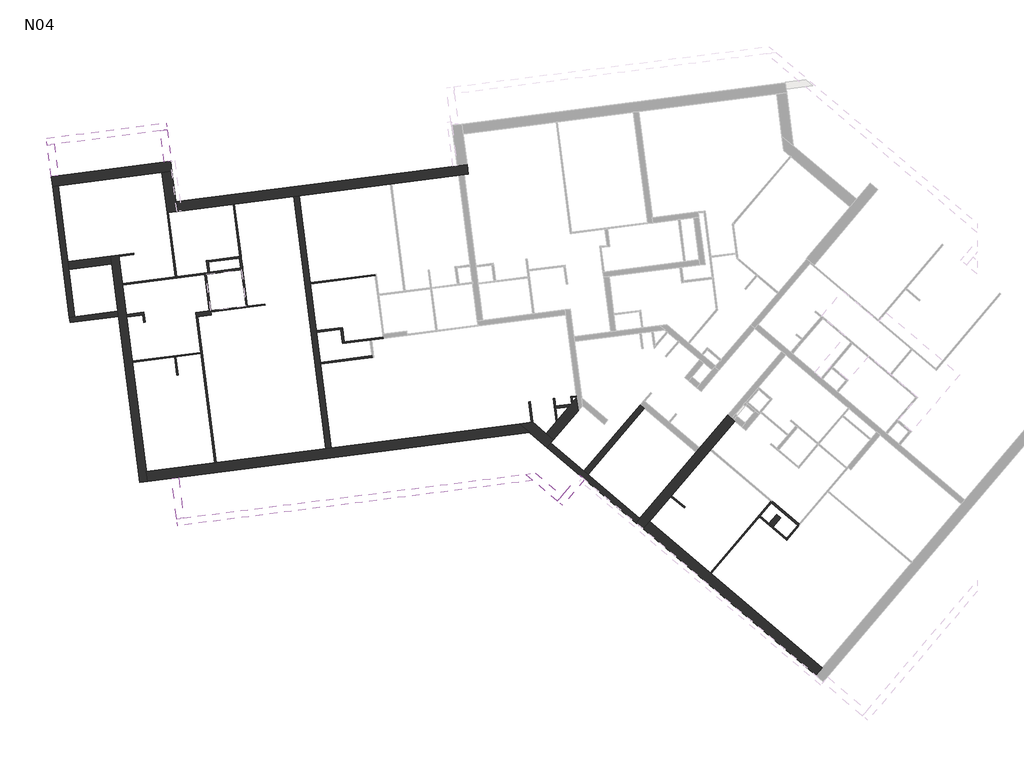
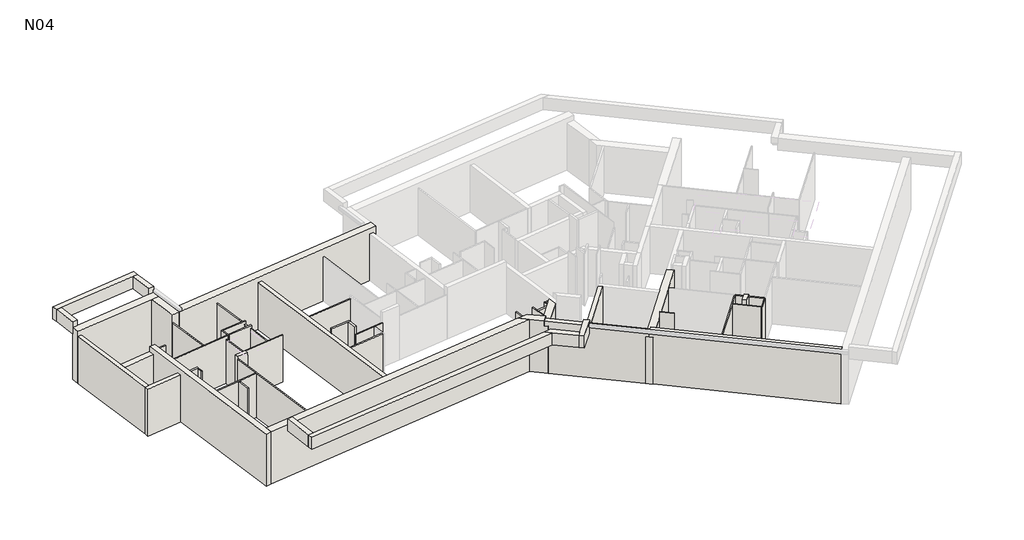
# One storey, part 1 of 3: 56 walls.
"""IFC4 building model written with IfcOpenShell, lengths in millimetres."""

from ifc_helpers import new_model, si_unit, frame, origin, place, context, project, spatial, polyline, outline, extrude, faceted_brep, element, save

model = new_model("IFC4")

# Units and contexts
model_context = context("Model", 3, world=origin())
ifc_project = project(units=[si_unit("LENGTHUNIT", "METRE", prefix="MILLI")], contexts=[model_context])

# Site, building, storey
site = spatial("IfcSite", under=ifc_project)
building = spatial("IfcBuilding", under=site)
storey = spatial("IfcBuildingStorey", under=building, Name="N04", Elevation=11380.0)

# Walls
placement = place(None, origin())
element("IfcWall", 1, at=placement, inside=storey, context=model_context, shape_type="Brep", body=[
    faceted_brep([(5758.2370181, 14194.8714572, 11380.0), (-1162.1110386, 13310.3917107, 11380.0), (-1360.4972796, 13285.0362502, 11380.0), (-7972.5911161, 12439.9540329, 11380.0), (-7972.5911161, 12439.9540329, 14150.0), (5758.2370181, 14194.8714572, 14150.0), (6140.2224716, 13870.6827304, 11380.0), (6140.2224716, 13870.6827304, 14150.0), (-7925.683514, 12072.939487, 14150.0), (-7925.683514, 12072.939487, 11380.0)], [[[0, 1, 2, 3, 4, 5]], [[6, 7, 8, 9]], [[3, 2, 1, 0, 6, 9]], [[5, 4, 8, 7]], [[0, 5, 7, 6]], [[4, 3, 9, 8]]]),
])
element("IfcWall", 2, at=placement, inside=storey, context=model_context, shape_type="Brep", body=[
    faceted_brep([(-7399.3754512, 23461.5558138, 14150.0), (-7399.3754512, 23461.5558138, 11380.0), (-7209.209497, 21973.6590063, 11380.0), (-7209.209497, 21973.6590063, 14150.0), (-7256.1170991, 22340.6735521, 14150.0), (-7032.3609053, 23508.4634158, 11380.0), (-7032.3609053, 23508.4634158, 14150.0), (-6889.1025532, 22387.5811542, 14150.0), (-6886.5670072, 22367.7425301, 14150.0), (-6842.1949512, 22020.5666083, 14150.0), (-6842.1949512, 22020.5666083, 13880.0), (-6842.1949512, 22020.5666083, 11380.0), (-6889.1025532, 22387.5811542, 11380.0)], [[[0, 1, 2, 3, 4]], [[5, 6, 7, 8, 9, 10, 11, 12]], [[2, 1, 5, 12, 11]], [[0, 4, 3, 9, 8, 7, 6]], [[0, 6, 5, 1]], [[3, 2, 11, 10, 9]]]),
])
element("IfcWall", 3, at=placement, inside=storey, context=model_context, shape_type="Brep", body=[
    faceted_brep([(-6842.1949512, 22020.5666083, 11380.0), (-2547.1328334, 22569.5123292, 11380.0), (-2348.7465924, 22594.8677898, 11380.0), (3538.3651094, 23347.2910817, 11380.0), (3736.7513504, 23372.6465422, 11380.0), (3885.5410312, 23391.6631376, 11380.0), (3885.5410312, 23391.6631376, 14150.0), (-6842.1949512, 22020.5666083, 14150.0), (3838.6334292, 23758.6776835, 11380.0), (3471.6188833, 23711.7700815, 11380.0), (-6889.1025532, 22387.5811542, 11380.0), (-6889.1025532, 22387.5811542, 14150.0), (3471.6188833, 23711.7700815, 14150.0), (3838.6334292, 23758.6776835, 14150.0)], [[[0, 1, 2, 3, 4, 5, 6, 7]], [[8, 9, 10, 11, 12, 13]], [[5, 4, 3, 2, 1, 0, 10, 9, 8]], [[7, 6, 13, 12, 11]], [[5, 8, 13, 6]], [[0, 7, 11, 10]]]),
])
element("IfcWall", 4, at=placement, inside=storey, context=model_context, shape_type="Brep", body=[
    faceted_brep([(10327.551374, 10316.9222052, 11380.0), (10566.9673175, 10599.0214892, 11380.0), (12794.8374833, 13224.078825, 11380.0), (12827.1909892, 13262.2003498, 11380.0), (13700.7356476, 14291.4815212, 11380.0), (13700.7356476, 14291.4815212, 13880.0), (12827.1909892, 13262.2003498, 13880.0), (12794.8374833, 13224.078825, 13880.0), (10566.9673175, 10599.0214892, 13880.0), (10327.551374, 10316.9222052, 13880.0), (10060.7007, 10543.3967463, 11380.0), (10060.7007, 10543.3967463, 13880.0), (10203.0561258, 10711.1314557, 13880.0), (12273.6805014, 13150.909047, 13880.0), (12403.0945249, 13303.3951464, 13880.0), (13433.8849736, 14517.9560622, 13880.0), (13433.8849736, 14517.9560622, 11380.0), (12403.0945249, 13303.3951464, 11380.0), (12273.6805014, 13150.909047, 11380.0), (10203.0561258, 10711.1314557, 11380.0), (10194.126037, 10430.1594757, 11380.0), (10129.3194447, 10485.1604357, 11380.0), (10194.126037, 10430.1594757, 13880.0)], [[[0, 1, 2, 3, 4, 5, 6, 7, 8, 9]], [[10, 11, 12, 13, 14, 15, 16, 17, 18, 19]], [[4, 3, 2, 1, 0, 20, 21, 10, 19, 18, 17, 16]], [[5, 4, 16, 15]], [[9, 8, 7, 6, 5, 15, 14, 13, 12, 11, 22]], [[0, 9, 22, 11, 10, 21, 20]]]),
])
element("IfcWall", 5, at=placement, inside=storey, context=model_context, shape_type="SweptSolid", body=[
    extrude(outline(polyline([(8144.4937831, 12458.2207726), (10215.1181588, 14897.9983639), (10367.6042582, 14768.5843405), (8296.9798826, 12328.8067492), (8144.4937831, 12458.2207726)])), frame((0.0, 0.0, 11380.0), z_axis=(0.0, 0.0, 1.0), x_axis=(1.0, 0.0, 0.0)), (0.0, 0.0, 1.0), 2500.0),
])
element("IfcWall", 6, at=placement, inside=storey, context=model_context, shape_type="Brep", body=[
    faceted_brep([(7021.6826483, 13607.8829857, 11380.0), (7925.3724793, 14672.6836444, 11380.0), (7925.3724793, 14672.6836444, 13880.0), (7021.6826483, 13607.8829857, 13880.0), (6754.8319743, 13834.3575268, 11380.0), (6754.8319743, 13834.3575268, 13880.0), (7865.2890942, 15142.7881766, 13880.0), (7865.2890942, 15142.7881766, 11380.0), (7734.3217869, 14988.4718721, 11380.0), (7690.5124995, 14936.8522163, 11380.0), (7594.5428873, 14823.773035, 11380.0), (6888.2573113, 13721.1202563, 13880.0)], [[[0, 1, 2, 3]], [[4, 5, 6, 7, 8, 9, 10]], [[1, 0, 4, 10, 9, 8, 7]], [[3, 2, 6, 5, 11]], [[0, 3, 11, 5, 4]], [[1, 7, 6, 2]]]),
])
element("IfcWall", 7, at=placement, inside=storey, context=model_context, shape_type="Brep", body=[
    faceted_brep([(10203.0561258, 10711.1314557, 11380.0), (8296.9798826, 12328.8067492, 11380.0), (8144.4937831, 12458.2207726, 11380.0), (6924.6221307, 13493.5184111, 11380.0), (6924.6221307, 13493.5184111, 13880.0), (6791.1967937, 13606.7556817, 13880.0), (6791.1967937, 13606.7556817, 14150.0), (6924.6221307, 13493.5184111, 14150.0), (10203.0561258, 10711.1314557, 14150.0), (10336.4814628, 10597.8941851, 14150.0), (10336.4814628, 10597.8941851, 13880.0), (10203.0561258, 10711.1314557, 13880.0), (10060.7007, 10543.3967463, 11380.0), (10060.7007, 10543.3967463, 13880.0), (10194.126037, 10430.1594757, 13880.0), (10194.126037, 10430.1594757, 14150.0), (10060.7007, 10543.3967463, 14150.0), (6782.2667049, 13325.7837017, 14150.0), (6648.8413679, 13439.0209723, 14150.0), (6648.8413679, 13439.0209723, 13880.0), (6782.2667049, 13325.7837017, 13880.0), (6782.2667049, 13325.7837017, 11380.0)], [[[0, 1, 2, 3, 4, 5, 6, 7, 8, 9, 10, 11]], [[12, 13, 14, 15, 16, 17, 18, 19, 20, 21]], [[3, 2, 1, 0, 12, 21]], [[9, 8, 7, 6, 18, 17, 16, 15]], [[6, 5, 19, 18]], [[19, 5, 4, 20]], [[4, 3, 21, 20]], [[10, 9, 15, 14]], [[0, 11, 13, 12]], [[10, 14, 13, 11]]]),
])
element("IfcWall", 8, at=placement, inside=storey, context=model_context, shape_type="Brep", body=[
    faceted_brep([(7021.6826483, 13607.8829857, 11380.0), (6888.2573113, 13721.1202563, 11380.0), (6754.8319743, 13834.3575268, 11380.0), (6255.2046664, 14258.3881787, 11380.0), (6255.2046664, 14258.3881787, 14150.0), (6888.2573113, 13721.1202563, 14150.0), (6888.2573113, 13721.1202563, 13880.0), (7021.6826483, 13607.8829857, 13880.0), (6782.2667049, 13325.7837017, 11380.0), (6782.2667049, 13325.7837017, 13880.0), (6648.8413679, 13439.0209723, 13880.0), (6648.8413679, 13439.0209723, 14150.0), (6140.2224716, 13870.6827304, 14150.0), (5758.2370181, 14194.8714572, 14150.0), (5758.2370181, 14194.8714572, 11380.0), (6140.2224716, 13870.6827304, 11380.0), (6648.8413679, 13439.0209723, 11380.0), (6924.6221307, 13493.5184111, 11380.0), (6791.1967937, 13606.7556817, 14150.0), (6791.1967937, 13606.7556817, 13880.0), (6924.6221307, 13493.5184111, 13880.0)], [[[0, 1, 2, 3, 4, 5, 6, 7]], [[8, 9, 10, 11, 12, 13, 14, 15, 16]], [[3, 2, 1, 0, 17, 8, 16, 15, 14]], [[5, 4, 13, 12, 11, 18]], [[6, 5, 18, 11, 10, 19]], [[6, 19, 10, 9, 20, 7]], [[0, 7, 20, 9, 8, 17]], [[4, 3, 14, 13]]]),
])
element("IfcWall", 9, at=placement, inside=storey, context=model_context, shape_type="Brep", body=[
    faceted_brep([(5996.4358323, 12340.1039215, 13820.0), (-6597.3795676, 10730.5064617, 13820.0), (-6855.2816809, 10697.544363, 13820.0), (-6855.2816809, 10697.544363, 14460.0), (-6597.3795676, 10730.5064617, 14460.0), (5996.4358323, 12340.1039215, 14460.0), (6264.8580429, 12112.2956269, 13820.0), (6264.8580429, 12112.2956269, 14460.0), (-6822.3195822, 10439.6422497, 14460.0), (-6822.3195822, 10439.6422497, 13820.0)], [[[0, 1, 2, 3, 4, 5]], [[6, 7, 8, 9]], [[2, 1, 0, 6, 9]], [[5, 4, 3, 8, 7]], [[3, 2, 9, 8]], [[0, 5, 7, 6]]]),
])
element("IfcWall", 10, at=placement, inside=storey, context=model_context, shape_type="SweptSolid", body=[
    extrude(outline(polyline([(-6787.5455217, 12218.4032693), (-6597.3795676, 10730.5064617), (-6855.2816809, 10697.544363), (-7045.447635, 12185.4411706), (-6787.5455217, 12218.4032693)])), frame((0.0, 0.0, 13820.0), z_axis=(0.0, 0.0, 1.0), x_axis=(1.0, 0.0, 0.0)), (0.0, 0.0, 1.0), 640.0),
])
element("IfcWall", 11, at=placement, inside=storey, context=model_context, shape_type="Brep", body=[
    faceted_brep([(-7464.3936677, 24995.6916069, 13820.0), (-7317.3319965, 23845.051409, 13820.0), (-7317.3319965, 23845.051409, 14460.0), (-7464.3936677, 24995.6916069, 14460.0), (-7059.4298832, 23878.0135078, 13820.0), (-7206.4915544, 25028.6537056, 13820.0), (-7206.4915544, 25028.6537056, 14460.0), (-7059.4298832, 23878.0135078, 14460.0), (-7059.4298832, 23878.0135078, 14292.4), (-7059.4298832, 23878.0135078, 14140.0)], [[[0, 1, 2, 3]], [[4, 5, 6, 7, 8, 9]], [[1, 0, 5, 4]], [[3, 2, 7, 6]], [[0, 3, 6, 5]], [[1, 4, 9, 8, 7, 2]]]),
])
element("IfcWall", 12, at=placement, inside=storey, context=model_context, shape_type="Brep", body=[
    faceted_brep([(-11422.5288425, 22947.3623567, 11380.0), (-10805.8258082, 18122.1533431, 11380.0), (-10805.8258082, 18122.1533431, 13880.0), (-11422.5288425, 22947.3623567, 13880.0), (-11224.1426015, 22972.7178173, 11380.0), (-11224.1426015, 22972.7178173, 13880.0), (-10866.6306077, 20175.4718191, 13880.0), (-10829.8651899, 19887.8117696, 13880.0), (-10607.4395672, 18147.5088036, 13880.0), (-10607.4395672, 18147.5088036, 13180.0), (-10607.4395672, 18147.5088036, 11380.0), (-10829.8651899, 19887.8117696, 11380.0), (-10866.6306077, 20175.4718191, 11380.0)], [[[0, 1, 2, 3]], [[4, 5, 6, 7, 8, 9, 10, 11, 12]], [[1, 0, 4, 12, 11, 10]], [[3, 2, 8, 7, 6, 5]], [[2, 1, 10, 9, 8]], [[0, 3, 5, 4]]]),
])
element("IfcWall", 13, at=placement, inside=storey, context=model_context, shape_type="Brep", body=[
    faceted_brep([(-9279.5406797, 20378.3155035, 11380.0), (-9242.7752619, 20090.655454, 11380.0), (-9020.3496391, 18350.352488, 11380.0), (-8994.9941786, 18151.966247, 11380.0), (-8260.2511655, 12403.1886151, 11380.0), (-8213.3435635, 12036.1740692, 11380.0), (-8213.3435635, 12036.1740692, 14150.0), (-9279.5406797, 20378.3155035, 14150.0), (-9279.5406797, 20378.3155035, 13880.0), (-8991.8806302, 20415.0809213, 11380.0), (-8991.8806302, 20415.0809213, 13880.0), (-8991.8806302, 20415.0809213, 14150.0), (-7972.5911161, 12439.9540329, 14150.0), (-7925.683514, 12072.939487, 14150.0), (-7925.683514, 12072.939487, 11380.0), (-7972.5911161, 12439.9540329, 11380.0), (-8985.5417651, 20365.484361, 11380.0)], [[[0, 1, 2, 3, 4, 5, 6, 7, 8]], [[9, 10, 11, 12, 13, 14, 15, 16]], [[5, 4, 3, 2, 1, 0, 9, 16, 15, 14]], [[7, 6, 13, 12, 11]], [[6, 5, 14, 13]], [[0, 8, 7, 11, 10, 9]]]),
])
element("IfcWall", 14, at=placement, inside=storey, context=model_context, shape_type="Brep", body=[
    faceted_brep([(-10780.4703476, 17923.7671021, 11380.0), (-8994.9941786, 18151.966247, 11380.0), (-8994.9941786, 18151.966247, 13880.0), (-10780.4703476, 17923.7671021, 13880.0), (-10805.8258082, 18122.1533431, 11380.0), (-10805.8258082, 18122.1533431, 13880.0), (-10607.4395672, 18147.5088036, 13880.0), (-9020.3496391, 18350.352488, 13880.0), (-9020.3496391, 18350.352488, 11380.0), (-10607.4395672, 18147.5088036, 11380.0)], [[[0, 1, 2, 3]], [[4, 5, 6, 7, 8, 9]], [[1, 0, 4, 9, 8]], [[3, 2, 7, 6, 5]], [[0, 3, 5, 4]], [[2, 1, 8, 7]]]),
])
element("IfcWall", 15, at=placement, inside=storey, context=model_context, shape_type="Brep", body=[
    faceted_brep([(-11422.5288425, 22947.3623567, 11380.0), (-11224.1426015, 22972.7178173, 11380.0), (-7399.3754512, 23461.5558138, 11380.0), (-7032.3609053, 23508.4634158, 11380.0), (-7032.3609053, 23508.4634158, 14150.0), (-7399.3754512, 23461.5558138, 14150.0), (-11422.5288425, 22947.3623567, 14150.0), (-11422.5288425, 22947.3623567, 13880.0), (-11469.4364445, 23314.3769026, 11380.0), (-11469.4364445, 23314.3769026, 14150.0), (-7446.2830532, 23828.5703597, 14150.0), (-7079.2685073, 23875.4779617, 14150.0), (-7079.2685073, 23875.4779617, 11380.0), (-7053.9130468, 23677.0917207, 11380.0)], [[[0, 1, 2, 3, 4, 5, 6, 7]], [[8, 9, 10, 11, 12]], [[3, 2, 1, 0, 8, 12, 13]], [[6, 5, 4, 11, 10, 9]], [[0, 7, 6, 9, 8]], [[3, 13, 12, 11, 4]]]),
])
element("IfcWall", 16, at=placement, inside=storey, context=model_context, shape_type="Brep", body=[
    faceted_brep([(-11616.4981157, 24465.0171004, 13820.0), (-11358.5960024, 24497.9791991, 13820.0), (-7464.3936677, 24995.6916069, 13820.0), (-7206.4915544, 25028.6537056, 13820.0), (-7206.4915544, 25028.6537056, 14460.0), (-7464.3936677, 24995.6916069, 14460.0), (-11358.5960024, 24497.9791991, 14460.0), (-11616.4981157, 24465.0171004, 14460.0), (-11649.4602144, 24722.9192137, 13820.0), (-11649.4602144, 24722.9192137, 14460.0), (-7239.4536532, 25286.5558189, 14460.0), (-7239.4536532, 25286.5558189, 13820.0)], [[[0, 1, 2, 3, 4, 5, 6, 7]], [[8, 9, 10, 11]], [[3, 2, 1, 0, 8, 11]], [[7, 6, 5, 4, 10, 9]], [[0, 7, 9, 8]], [[4, 3, 11, 10]]]),
])
element("IfcWall", 17, at=placement, inside=storey, context=model_context, shape_type="Brep", body=[
    faceted_brep([(-2547.1328334, 22569.5123292, 11380.0), (-1360.4972796, 13285.0362502, 11380.0), (-1360.4972796, 13285.0362502, 13880.0), (-2547.1328334, 22569.5123292, 13880.0), (-2348.7465924, 22594.8677898, 11380.0), (-2348.7465924, 22594.8677898, 13880.0), (-1162.1110386, 13310.3917107, 13880.0), (-1162.1110386, 13310.3917107, 11380.0), (-1556.3884502, 16395.2977584, 11380.0), (-1565.2628614, 16464.7329427, 11380.0), (-1705.3517809, 17560.8169243, 11380.0), (-1714.2261921, 17630.2521086, 11380.0), (-1934.1848124, 19351.2527494, 11380.0), (-1940.5236775, 19400.8493096, 11380.0)], [[[0, 1, 2, 3]], [[4, 5, 6, 7, 8, 9, 10, 11, 12, 13]], [[1, 0, 4, 13, 12, 11, 10, 9, 8, 7]], [[3, 2, 6, 5]], [[0, 3, 5, 4]], [[2, 1, 7, 6]]]),
])
element("IfcWall", 18, at=placement, inside=storey, context=model_context, shape_type="Brep", body=[
    faceted_brep([(-11616.4981157, 24465.0171004, 13820.0), (-11469.4364445, 23314.3769026, 13820.0), (-11469.4364445, 23314.3769026, 14150.0), (-11469.4364445, 23314.3769026, 14460.0), (-11616.4981157, 24465.0171004, 14460.0), (-11358.5960024, 24497.9791991, 13820.0), (-11358.5960024, 24497.9791991, 14460.0), (-11211.5343312, 23347.3390013, 14460.0), (-11211.5343312, 23347.3390013, 13820.0)], [[[0, 1, 2, 3, 4]], [[5, 6, 7, 8]], [[1, 0, 5, 8]], [[4, 3, 7, 6]], [[1, 8, 7, 3, 2]], [[0, 4, 6, 5]]]),
])
element("IfcWall", 19, at=placement, inside=storey, context=model_context, shape_type="Brep", body=[
    faceted_brep([(16923.1988078, 5204.5265532, 14150.0), (16923.1988078, 5204.5265532, 11380.0), (12831.3858944, 8677.2232405, 11380.0), (12793.2643695, 8709.5767464, 11380.0), (10566.9673175, 10599.0214892, 11380.0), (10566.9673175, 10599.0214892, 13880.0), (10433.5419804, 10712.2587597, 13880.0), (10433.5419804, 10712.2587597, 14150.0), (10566.9673175, 10599.0214892, 14150.0), (16683.7828644, 4922.4272692, 11380.0), (16683.7828644, 4922.4272692, 14150.0), (10327.551374, 10316.9222052, 14150.0), (10194.126037, 10430.1594757, 14150.0), (10194.126037, 10430.1594757, 13880.0), (10327.551374, 10316.9222052, 13880.0), (10327.551374, 10316.9222052, 11380.0), (10336.4814628, 10597.8941851, 14150.0), (10336.4814628, 10597.8941851, 13880.0)], [[[0, 1, 2, 3, 4, 5, 6, 7, 8]], [[9, 10, 11, 12, 13, 14, 15]], [[4, 3, 2, 1, 9, 15]], [[0, 8, 7, 16, 12, 11, 10]], [[7, 6, 17, 13, 12, 16]], [[5, 4, 15, 14]], [[13, 17, 6, 5, 14]], [[0, 10, 9, 1]]]),
])
element("IfcWall", 20, at=placement, inside=storey, context=model_context, shape_type="Brep", body=[
    faceted_brep([(7979.2654424, 12309.8981668, 14460.0), (7979.2654424, 12309.8981668, 13820.0), (7332.195325, 11547.4676695, 13820.0), (7163.9570945, 11349.2357402, 13820.0), (7163.9570945, 11349.2357402, 14460.0), (7332.195325, 11547.4676695, 14460.0), (8177.4973717, 12141.6599362, 13820.0), (8177.4973717, 12141.6599362, 14460.0), (7362.1890238, 11180.9975097, 14460.0), (7362.1890238, 11180.9975097, 13820.0)], [[[0, 1, 2, 3, 4, 5]], [[6, 7, 8, 9]], [[3, 2, 1, 6, 9]], [[0, 5, 4, 8, 7]], [[0, 7, 6, 1]], [[4, 3, 9, 8]]]),
])
element("IfcWall", 21, at=placement, inside=storey, context=model_context, shape_type="Brep", body=[
    faceted_brep([(5996.4358323, 12340.1039215, 13820.0), (6264.8580429, 12112.2956269, 13820.0), (7163.9570945, 11349.2357402, 13820.0), (7163.9570945, 11349.2357402, 14460.0), (6264.8580429, 12112.2956269, 14460.0), (5996.4358323, 12340.1039215, 14460.0), (6345.6563419, 12384.7372933, 13820.0), (6345.6563419, 12384.7372933, 14460.0), (7332.195325, 11547.4676695, 14460.0), (7332.195325, 11547.4676695, 13820.0)], [[[0, 1, 2, 3, 4, 5]], [[6, 7, 8, 9]], [[2, 1, 0, 6, 9]], [[5, 4, 3, 8, 7]], [[3, 2, 9, 8]], [[0, 5, 7, 6]]]),
])
element("IfcWall", 22, at=placement, inside=storey, context=model_context, shape_type="SweptSolid", body=[
    extrude(outline(polyline([(-9242.7752619, 20090.655454), (-10829.8651899, 19887.8117696), (-10866.6306077, 20175.4718191), (-9279.5406797, 20378.3155035), (-9242.7752619, 20090.655454)])), frame((0.0, 0.0, 11380.0), z_axis=(0.0, 0.0, 1.0), x_axis=(1.0, 0.0, 0.0)), (0.0, 0.0, 1.0), 2500.0),
])
element("IfcWall", 23, ObjectType="CLO 10", at=placement, inside=storey, context=model_context, shape_type="SweptSolid", body=[
    extrude(outline(polyline([(7095.3537765, 14860.7858346), (7690.5124995, 14936.8522163), (7594.5428873, 14823.773035), (7108.0315067, 14761.5927141), (7095.3537765, 14860.7858346)])), frame((0.0, 0.0, 11380.0), z_axis=(0.0, 0.0, 1.0), x_axis=(1.0, 0.0, 0.0)), (0.0, 0.0, 1.0), 2350.0),
])
element("IfcWall", 24, ObjectType="CLO 10", at=placement, inside=storey, context=model_context, shape_type="Brep", body=[
    faceted_brep([(-8699.616304, 18128.3458433, 11380.0), (-8104.457581, 18204.4122249, 11380.0), (-8054.8610207, 18210.7510901, 11380.0), (-8054.8610207, 18210.7510901, 13880.0), (-8104.457581, 18204.4122249, 13880.0), (-8699.616304, 18128.3458433, 13880.0), (-8712.2940343, 18227.5389638, 11380.0), (-8712.2940343, 18227.5389638, 13880.0), (-8067.538751, 18309.9442106, 13880.0), (-8067.538751, 18309.9442106, 11380.0)], [[[0, 1, 2, 3, 4, 5]], [[6, 7, 8, 9]], [[2, 1, 0, 6, 9]], [[5, 4, 3, 8, 7]], [[0, 5, 7, 6]], [[3, 2, 9, 8]]]),
])
element("IfcWall", 25, ObjectType="CLO 5", at=placement, inside=storey, context=model_context, shape_type="Brep", body=[
    faceted_brep([(7011.5273445, 15122.2683948, 11380.0), (7118.0981267, 14288.4370852, 11380.0), (7118.0981267, 14288.4370852, 13730.0), (7011.5273445, 15122.2683948, 13730.0), (7061.1239047, 15128.60726, 11380.0), (7061.1239047, 15128.60726, 13730.0), (7095.3537765, 14860.7858346, 13730.0), (7108.0315067, 14761.5927141, 13730.0), (7167.6946869, 14294.7759503, 13730.0), (7167.6946869, 14294.7759503, 11380.0), (7108.0315067, 14761.5927141, 11380.0), (7095.3537765, 14860.7858346, 11380.0)], [[[0, 1, 2, 3]], [[4, 5, 6, 7, 8, 9, 10, 11]], [[1, 0, 4, 11, 10, 9]], [[2, 1, 9, 8]], [[3, 2, 8, 7, 6, 5]], [[0, 3, 5, 4]]]),
])
element("IfcWall", 26, ObjectType="CLO 5", at=placement, inside=storey, context=model_context, shape_type="SweptSolid", body=[
    extrude(outline(polyline([(6158.7239449, 15013.2728171), (6255.2046664, 14258.3881787), (6205.6081061, 14252.0493135), (6109.1273846, 15006.9339519), (6158.7239449, 15013.2728171)])), frame((0.0, 0.0, 11380.0), z_axis=(0.0, 0.0, 1.0), x_axis=(1.0, 0.0, 0.0)), (0.0, 0.0, 1.0), 2500.0),
])
element("IfcWall", 27, ObjectType="CLO 5", at=placement, inside=storey, context=model_context, shape_type="Brep", body=[
    faceted_brep([(7734.3217869, 14988.4718721, 11380.0), (7712.2180531, 15161.4159465, 11380.0), (7705.879188, 15211.0125068, 11380.0), (7705.879188, 15211.0125068, 13730.0), (7712.2180531, 15161.4159465, 13730.0), (7734.3217869, 14988.4718721, 13730.0), (7690.5124995, 14936.8522163, 11380.0), (7690.5124995, 14936.8522163, 13730.0), (7656.2826277, 15204.6736416, 13730.0), (7656.2826277, 15204.6736416, 11380.0)], [[[0, 1, 2, 3, 4, 5]], [[6, 7, 8, 9]], [[2, 1, 0, 6, 9]], [[5, 4, 3, 8, 7]], [[3, 2, 9, 8]], [[0, 5, 7, 6]]]),
])
element("IfcWall", 28, ObjectType="CLO 5", at=placement, inside=storey, context=model_context, shape_type="SweptSolid", body=[
    extrude(outline(polyline([(7860.4863389, 15180.3659032), (7712.2180531, 15161.4159465), (7705.879188, 15211.0125068), (7854.1474738, 15229.9624634), (7860.4863389, 15180.3659032)])), frame((0.0, 0.0, 11380.0), z_axis=(0.0, 0.0, 1.0), x_axis=(1.0, 0.0, 0.0)), (0.0, 0.0, 1.0), 2350.0),
])
element("IfcWall", 29, ObjectType="CLO 5", at=placement, inside=storey, context=model_context, shape_type="SweptSolid", body=[
    extrude(outline(polyline([(451.4097357, 19656.1521625), (-1934.1848124, 19351.2527494), (-1940.5236775, 19400.8493096), (445.0708706, 19705.7487227), (451.4097357, 19656.1521625)])), frame((0.0, 0.0, 11380.0), z_axis=(0.0, 0.0, 1.0), x_axis=(1.0, 0.0, 0.0)), (0.0, 0.0, 1.0), 2350.0),
])
element("IfcWall", 30, ObjectType="CLO 5", at=placement, inside=storey, context=model_context, shape_type="Brep", body=[
    faceted_brep([(15021.1345353, 11334.6340822, 11380.0), (12793.2643695, 8709.5767464, 11380.0), (12793.2643695, 8709.5767464, 13880.0), (15021.1345353, 11334.6340822, 13880.0), (15059.2560602, 11302.2805763, 11380.0), (15059.2560602, 11302.2805763, 13880.0), (15046.3146579, 11287.0319664, 13880.0), (14636.7115219, 10804.404328, 13880.0), (14604.358016, 10766.2828031, 13880.0), (12831.3858944, 8677.2232405, 13880.0), (12831.3858944, 8677.2232405, 11380.0), (14604.358016, 10766.2828031, 11380.0), (14636.7115219, 10804.404328, 11380.0), (15046.3146579, 11287.0319664, 11380.0)], [[[0, 1, 2, 3]], [[4, 5, 6, 7, 8, 9, 10, 11, 12, 13]], [[1, 0, 4, 13, 12, 11, 10]], [[3, 2, 9, 8, 7, 6, 5]], [[0, 3, 5, 4]], [[2, 1, 10, 9]]]),
])
element("IfcWall", 31, ObjectType="CLO 5", at=placement, inside=storey, context=model_context, shape_type="Brep", body=[
    faceted_brep([(15021.1345353, 11334.6340822, 11380.0), (12793.2643695, 8709.5767464, 11380.0), (12793.2643695, 8709.5767464, 13880.0), (15021.1345353, 11334.6340822, 13880.0), (15059.2560602, 11302.2805763, 11380.0), (15059.2560602, 11302.2805763, 13880.0), (15046.3146579, 11287.0319664, 13880.0), (14636.7115219, 10804.404328, 13880.0), (14604.358016, 10766.2828031, 13880.0), (12831.3858944, 8677.2232405, 13880.0), (12831.3858944, 8677.2232405, 11380.0), (14604.358016, 10766.2828031, 11380.0), (14636.7115219, 10804.404328, 11380.0), (15046.3146579, 11287.0319664, 11380.0)], [[[0, 1, 2, 3]], [[4, 5, 6, 7, 8, 9, 10, 11, 12, 13]], [[1, 0, 4, 13, 12, 11, 10]], [[3, 2, 9, 8, 7, 6, 5]], [[0, 3, 5, 4]], [[2, 1, 10, 9]]]),
])
element("IfcWall", 32, ObjectType="CLO 5", at=placement, inside=storey, context=model_context, shape_type="Brep", body=[
    faceted_brep([(16019.7868374, 10460.8520592, 11380.0), (15610.1837015, 9978.2244207, 11380.0), (15577.8301956, 9940.1028959, 11380.0), (15577.8301956, 9940.1028959, 13880.0), (15610.1837015, 9978.2244207, 13880.0), (16019.7868374, 10460.8520592, 13880.0), (16057.9083623, 10428.4985533, 11380.0), (16057.9083623, 10428.4985533, 13880.0), (15615.9517205, 9907.74939, 13880.0), (15615.9517205, 9907.74939, 11380.0)], [[[0, 1, 2, 3, 4, 5]], [[6, 7, 8, 9]], [[2, 1, 0, 6, 9]], [[5, 4, 3, 8, 7]], [[3, 2, 9, 8]], [[0, 5, 7, 6]]]),
])
element("IfcWall", 33, ObjectType="CLO 5", at=placement, inside=storey, context=model_context, shape_type="Brep", body=[
    faceted_brep([(15610.1837015, 9978.2244207, 11380.0), (15111.5033758, 10401.4513746, 11380.0), (14959.0172763, 10530.8653981, 11380.0), (14636.7115219, 10804.404328, 11380.0), (14636.7115219, 10804.404328, 13880.0), (15610.1837015, 9978.2244207, 13880.0), (15577.8301956, 9940.1028959, 11380.0), (15577.8301956, 9940.1028959, 13880.0), (14604.358016, 10766.2828031, 13880.0), (14604.358016, 10766.2828031, 11380.0)], [[[0, 1, 2, 3, 4, 5]], [[6, 7, 8, 9]], [[3, 2, 1, 0, 6, 9]], [[5, 4, 8, 7]], [[0, 5, 7, 6]], [[4, 3, 9, 8]]]),
])
element("IfcWall", 34, ObjectType="CLO 5", at=placement, inside=storey, context=model_context, shape_type="SweptSolid", body=[
    extrude(outline(polyline([(-8070.2277092, 17936.5907996), (-8104.457581, 18204.4122249), (-8054.8610207, 18210.7510901), (-8020.631149, 17942.9296647), (-8070.2277092, 17936.5907996)])), frame((0.0, 0.0, 11380.0), z_axis=(0.0, 0.0, 1.0), x_axis=(1.0, 0.0, 0.0)), (0.0, 0.0, 1.0), 2500.0),
])
element("IfcWall", 35, ObjectType="CLO 5", at=placement, inside=storey, context=model_context, shape_type="Brep", body=[
    faceted_brep([(-3604.7314669, 18618.2142485, 11380.0), (-4249.4867502, 18535.8090017, 11380.0), (-4299.0833104, 18529.4701366, 11380.0), (-5598.5130803, 18363.3918839, 11380.0), (-5598.5130803, 18363.3918839, 13730.0), (-5623.3113604, 18360.2224513, 13730.0), (-5623.3113604, 18360.2224513, 13880.0), (-3604.7314669, 18618.2142485, 13880.0), (-3598.3926018, 18568.6176883, 11380.0), (-3598.3926018, 18568.6176883, 13880.0), (-5616.9724953, 18310.625891, 13880.0), (-5616.9724953, 18310.625891, 13730.0), (-5592.1742151, 18313.7953236, 13730.0), (-5592.1742151, 18313.7953236, 11380.0)], [[[0, 1, 2, 3, 4, 5, 6, 7]], [[8, 9, 10, 11, 12, 13]], [[3, 2, 1, 0, 8, 13]], [[7, 6, 10, 9]], [[0, 7, 9, 8]], [[6, 5, 11, 10]], [[11, 5, 4, 12]], [[4, 3, 13, 12]]]),
])
element("IfcWall", 36, ObjectType="CLO 5", at=placement, inside=storey, context=model_context, shape_type="Brep", body=[
    faceted_brep([(-8851.1578242, 19314.0372837, 11380.0), (-5819.9355291, 19701.453452, 11380.0), (-5770.3389689, 19707.7923171, 11380.0), (-5700.9037845, 19716.6667283, 11380.0), (-5700.9037845, 19716.6667283, 13880.0), (-8851.1578242, 19314.0372837, 13880.0), (-8857.4966893, 19363.633844, 11380.0), (-8857.4966893, 19363.633844, 13880.0), (-5707.2426497, 19766.2632885, 13880.0), (-5707.2426497, 19766.2632885, 11380.0), (-6857.8829562, 19619.2016035, 11380.0), (-6907.4795165, 19612.8627383, 11380.0)], [[[0, 1, 2, 3, 4, 5]], [[6, 7, 8, 9, 10, 11]], [[3, 2, 1, 0, 6, 11, 10, 9]], [[5, 4, 8, 7]], [[0, 5, 7, 6]], [[4, 3, 9, 8]]]),
])
element("IfcWall", 37, ObjectType="CLO 5", at=placement, inside=storey, context=model_context, shape_type="Brep", body=[
    faceted_brep([(-5819.9355291, 19701.453452, 11380.0), (-5648.1096405, 18357.0530187, 11380.0), (-5648.1096405, 18357.0530187, 13730.0), (-5819.9355291, 19701.453452, 13730.0), (-5770.3389689, 19707.7923171, 11380.0), (-5770.3389689, 19707.7923171, 13730.0), (-5598.5130803, 18363.3918839, 13730.0), (-5598.5130803, 18363.3918839, 11380.0), (-5623.3113604, 18360.2224513, 13730.0)], [[[0, 1, 2, 3]], [[4, 5, 6, 7]], [[1, 0, 4, 7]], [[3, 2, 8, 6, 5]], [[0, 3, 5, 4]], [[2, 1, 7, 6, 8]]]),
])
element("IfcWall", 38, ObjectType="CLO 5", at=placement, inside=storey, context=model_context, shape_type="SweptSolid", body=[
    extrude(outline(polyline([(-6907.4795165, 19612.8627383), (-7209.209497, 21973.6590063), (-7159.6129368, 21979.9978714), (-6857.8829562, 19619.2016035), (-6907.4795165, 19612.8627383)])), frame((0.0, 0.0, 11380.0), z_axis=(0.0, 0.0, 1.0), x_axis=(1.0, 0.0, 0.0)), (0.0, 0.0, 1.0), 2350.0),
])
element("IfcWall", 39, ObjectType="CLO 5", at=placement, inside=storey, context=model_context, shape_type="Brep", body=[
    faceted_brep([(-8486.6304354, 16461.9014188, 11380.0), (-6933.3857445, 16660.4193921, 11380.0), (-6883.7891843, 16666.7582572, 11380.0), (-5961.2931636, 16784.6611488, 11380.0), (-5961.2931636, 16784.6611488, 13730.0), (-6883.7891843, 16666.7582572, 13730.0), (-6933.3857445, 16660.4193921, 13730.0), (-8486.6304354, 16461.9014188, 13730.0), (-8492.9693005, 16511.4979791, 11380.0), (-8492.9693005, 16511.4979791, 13730.0), (-5967.6320288, 16834.257709, 13730.0), (-5967.6320288, 16834.257709, 11380.0)], [[[0, 1, 2, 3, 4, 5, 6, 7]], [[8, 9, 10, 11]], [[3, 2, 1, 0, 8, 11]], [[7, 6, 5, 4, 10, 9]], [[0, 7, 9, 8]], [[4, 3, 11, 10]]]),
])
element("IfcWall", 40, ObjectType="CLO 5", at=placement, inside=storey, context=model_context, shape_type="Brep", body=[
    faceted_brep([(-6133.7102954, 18133.6875876, 11380.0), (-5967.6320288, 16834.257709, 11380.0), (-5961.2931636, 16784.6611488, 11380.0), (-5447.2538443, 12762.7137628, 11380.0), (-5447.2538443, 12762.7137628, 13730.0), (-5961.2931636, 16784.6611488, 13730.0), (-5967.6320288, 16834.257709, 13730.0), (-6133.7102954, 18133.6875876, 13730.0), (-6084.1137351, 18140.0264528, 11380.0), (-6084.1137351, 18140.0264528, 13730.0), (-5397.6572841, 12769.052628, 13730.0), (-5397.6572841, 12769.052628, 11380.0)], [[[0, 1, 2, 3, 4, 5, 6, 7]], [[8, 9, 10, 11]], [[3, 2, 1, 0, 8, 11]], [[4, 3, 11, 10]], [[7, 6, 5, 4, 10, 9]], [[0, 7, 9, 8]]]),
])
element("IfcWall", 41, ObjectType="CLO 5", at=placement, inside=storey, context=model_context, shape_type="Brep", body=[
    faceted_brep([(-6933.3857445, 16660.4193921, 11380.0), (-6848.4449517, 15995.8254847, 11380.0), (-6848.4449517, 15995.8254847, 13730.0), (-6933.3857445, 16660.4193921, 13730.0), (-6883.7891843, 16666.7582572, 11380.0), (-6883.7891843, 16666.7582572, 13480.0), (-6883.7891843, 16666.7582572, 13730.0), (-6798.8483914, 16002.1643499, 13730.0), (-6798.8483914, 16002.1643499, 11380.0)], [[[0, 1, 2, 3]], [[4, 5, 6, 7, 8]], [[1, 0, 4, 8]], [[2, 1, 8, 7]], [[3, 2, 7, 6]], [[0, 3, 6, 5, 4]]]),
])
element("IfcWall", 42, ObjectType="CLO 5", at=placement, inside=storey, context=model_context, shape_type="SweptSolid", body=[
    extrude(outline(polyline([(-4421.3126388, 19880.209435), (-4249.4867502, 18535.8090017), (-4299.0833104, 18529.4701366), (-4470.909199, 19873.8705698), (-4421.3126388, 19880.209435)])), frame((0.0, 0.0, 11380.0), z_axis=(0.0, 0.0, 1.0), x_axis=(1.0, 0.0, 0.0)), (0.0, 0.0, 1.0), 2350.0),
])
element("IfcWall", 43, ObjectType="CLO 5", at=placement, inside=storey, context=model_context, shape_type="SweptSolid", body=[
    extrude(outline(polyline([(-8439.9796023, 20435.2118776), (-8985.5417651, 20365.484361), (-8991.8806302, 20415.0809213), (-8446.3184675, 20484.8084378), (-8439.9796023, 20435.2118776)])), frame((0.0, 0.0, 11380.0), z_axis=(0.0, 0.0, 1.0), x_axis=(1.0, 0.0, 0.0)), (0.0, 0.0, 1.0), 2500.0),
])
element("IfcWall", 44, ObjectType="CLO 5", at=placement, inside=storey, context=model_context, shape_type="Brep", body=[
    faceted_brep([(740.461986, 17394.549015, 11380.0), (-682.9592932, 17212.6235856, 11380.0), (-752.3944776, 17203.7491744, 11380.0), (-752.3944776, 17203.7491744, 13730.0), (740.461986, 17394.549015, 13730.0), (746.8008511, 17344.9524548, 11380.0), (746.8008511, 17344.9524548, 13730.0), (325.230089, 17291.0721011, 13730.0), (255.7949046, 17282.1976899, 13730.0), (-746.0556124, 17154.1526141, 13730.0), (-746.0556124, 17154.1526141, 11380.0), (255.7949046, 17282.1976899, 11380.0), (325.230089, 17291.0721011, 11380.0)], [[[0, 1, 2, 3, 4]], [[5, 6, 7, 8, 9, 10, 11, 12]], [[2, 1, 0, 5, 12, 11, 10]], [[4, 3, 9, 8, 7, 6]], [[0, 4, 6, 5]], [[3, 2, 10, 9]]]),
])
element("IfcWall", 45, ObjectType="CLO 5", at=placement, inside=storey, context=model_context, shape_type="SweptSolid", body=[
    extrude(outline(polyline([(11379.6171167, 11548.8242602), (11875.1969399, 11128.2286839), (11842.843434, 11090.107159), (11347.2636108, 11510.7027353), (11379.6171167, 11548.8242602)])), frame((0.0, 0.0, 11380.0), z_axis=(0.0, 0.0, 1.0), x_axis=(1.0, 0.0, 0.0)), (0.0, 0.0, 1.0), 2770.0),
])
element("IfcWall", 46, ObjectType="CLO 5", at=placement, inside=storey, context=model_context, shape_type="SweptSolid", body=[
    extrude(outline(polyline([(-4729.3814845, 22290.6022632), (-4484.7012902, 20376.1750375), (-4534.2978504, 20369.8361723), (-4778.9780447, 22284.263398), (-4729.3814845, 22290.6022632)])), frame((0.0, 0.0, 11380.0), z_axis=(0.0, 0.0, 1.0), x_axis=(1.0, 0.0, 0.0)), (0.0, 0.0, 1.0), 2350.0),
])
element("IfcWall", 47, ObjectType="CLO 7", at=placement, inside=storey, context=model_context, shape_type="SweptSolid", body=[
    extrude(outline(polyline([(-1565.2628614, 16464.7329427), (329.3257402, 16706.877591), (338.2001514, 16637.4424066), (-1556.3884502, 16395.2977584), (-1565.2628614, 16464.7329427)])), frame((0.0, 0.0, 11380.0), z_axis=(0.0, 0.0, 1.0), x_axis=(1.0, 0.0, 0.0)), (0.0, 0.0, 1.0), 2350.0),
])
element("IfcWall", 48, ObjectType="CLO 7", at=placement, inside=storey, context=model_context, shape_type="Brep", body=[
    faceted_brep([(15046.3146579, 11287.0319664, 11380.0), (16019.7868374, 10460.8520592, 11380.0), (16019.7868374, 10460.8520592, 13880.0), (15046.3146579, 11287.0319664, 13880.0), (15091.6095661, 11340.4021012, 11380.0), (15091.6095661, 11340.4021012, 13880.0), (16065.0817456, 10514.222194, 13880.0), (16065.0817456, 10514.222194, 11380.0), (15059.2560602, 11302.2805763, 11380.0), (15059.2560602, 11302.2805763, 13880.0)], [[[0, 1, 2, 3]], [[4, 5, 6, 7]], [[1, 0, 8, 4, 7]], [[3, 2, 6, 5, 9]], [[0, 3, 9, 5, 4, 8]], [[2, 1, 7, 6]]]),
])
element("IfcWall", 49, ObjectType="CLO 7", at=placement, inside=storey, context=model_context, shape_type="Brep", body=[
    faceted_brep([(-5631.4686002, 19725.5411395, 11380.0), (-5640.3430114, 19794.9763238, 11380.0), (-5685.9828404, 20152.0715577, 11380.0), (-5694.8572516, 20221.506742, 11380.0), (-5694.8572516, 20221.506742, 13880.0), (-5685.9828404, 20152.0715577, 13880.0), (-5640.3430114, 19794.9763238, 13880.0), (-5631.4686002, 19725.5411395, 13880.0), (-5700.9037845, 19716.6667283, 11380.0), (-5700.9037845, 19716.6667283, 13880.0), (-5707.2426497, 19766.2632885, 13880.0), (-5764.2924359, 20212.6323308, 13880.0), (-5764.2924359, 20212.6323308, 11380.0), (-5707.2426497, 19766.2632885, 11380.0)], [[[0, 1, 2, 3, 4, 5, 6, 7]], [[8, 9, 10, 11, 12, 13]], [[3, 2, 1, 0, 8, 13, 12]], [[7, 6, 5, 4, 11, 10, 9]], [[4, 3, 12, 11]], [[0, 7, 9, 8]]]),
])
element("IfcWall", 50, ObjectType="CLO 7", at=placement, inside=storey, context=model_context, shape_type="Brep", body=[
    faceted_brep([(-5685.9828404, 20152.0715577, 11380.0), (-4545.2620633, 20297.8654419, 11380.0), (-4475.826879, 20306.7398531, 11380.0), (-4475.826879, 20306.7398531, 13730.0), (-4475.826879, 20306.7398531, 13880.0), (-5685.9828404, 20152.0715577, 13880.0), (-5694.8572516, 20221.506742, 11380.0), (-5694.8572516, 20221.506742, 13880.0), (-4484.7012902, 20376.1750375, 13880.0), (-4484.7012902, 20376.1750375, 13730.0), (-4484.7012902, 20376.1750375, 11380.0), (-4534.2978504, 20369.8361723, 11380.0)], [[[0, 1, 2, 3, 4, 5]], [[6, 7, 8, 9, 10, 11]], [[2, 1, 0, 6, 11, 10]], [[5, 4, 8, 7]], [[0, 5, 7, 6]], [[4, 3, 2, 10, 9, 8]]]),
])
element("IfcWall", 51, ObjectType="CLO 7", at=placement, inside=storey, context=model_context, shape_type="Brep", body=[
    faceted_brep([(-1705.3517809, 17560.8169243, 11380.0), (-812.6136964, 17674.9164968, 11380.0), (-743.178512, 17683.790908, 11380.0), (-743.178512, 17683.790908, 14150.0), (-812.6136964, 17674.9164968, 14150.0), (-1705.3517809, 17560.8169243, 14150.0), (-1714.2261921, 17630.2521086, 11380.0), (-1714.2261921, 17630.2521086, 14150.0), (-752.0529232, 17753.2260923, 14150.0), (-752.0529232, 17753.2260923, 11380.0)], [[[0, 1, 2, 3, 4, 5]], [[6, 7, 8, 9]], [[2, 1, 0, 6, 9]], [[5, 4, 3, 8, 7]], [[0, 5, 7, 6]], [[3, 2, 9, 8]]]),
])
element("IfcWall", 52, ObjectType="CLO 7", at=placement, inside=storey, context=model_context, shape_type="Brep", body=[
    faceted_brep([(-812.6136964, 17674.9164968, 11380.0), (-752.3944776, 17203.7491744, 11380.0), (-752.3944776, 17203.7491744, 13730.0), (-752.3944776, 17203.7491744, 14150.0), (-812.6136964, 17674.9164968, 14150.0), (-743.178512, 17683.790908, 11380.0), (-743.178512, 17683.790908, 14150.0), (-682.9592932, 17212.6235856, 14150.0), (-682.9592932, 17212.6235856, 11380.0)], [[[0, 1, 2, 3, 4]], [[5, 6, 7, 8]], [[1, 0, 5, 8]], [[4, 3, 7, 6]], [[0, 4, 6, 5]], [[3, 2, 1, 8, 7]]]),
])
element("IfcWall", 53, ObjectType="CLO 7", at=placement, inside=storey, context=model_context, shape_type="SweptSolid", body=[
    extrude(outline(polyline([(-4475.826879, 20306.7398531), (-4430.18705, 19949.6446193), (-4499.6222343, 19940.7702081), (-4545.2620633, 20297.8654419), (-4475.826879, 20306.7398531)])), frame((0.0, 0.0, 11380.0), z_axis=(0.0, 0.0, 1.0), x_axis=(1.0, 0.0, 0.0)), (0.0, 0.0, 1.0), 2350.0),
])
element("IfcWall", 54, ObjectType="CLO 7", at=placement, inside=storey, context=model_context, shape_type="Brep", body=[
    faceted_brep([(-5631.4686002, 19725.5411395, 11380.0), (-4470.909199, 19873.8705698, 11380.0), (-4421.3126388, 19880.209435, 11380.0), (-4421.3126388, 19880.209435, 13730.0), (-4421.3126388, 19880.209435, 13880.0), (-5631.4686002, 19725.5411395, 13880.0), (-5640.3430114, 19794.9763238, 11380.0), (-5640.3430114, 19794.9763238, 13880.0), (-4430.18705, 19949.6446193, 13880.0), (-4430.18705, 19949.6446193, 13730.0), (-4430.18705, 19949.6446193, 11380.0), (-4499.6222343, 19940.7702081, 11380.0)], [[[0, 1, 2, 3, 4, 5]], [[6, 7, 8, 9, 10, 11]], [[2, 1, 0, 6, 11, 10]], [[5, 4, 8, 7]], [[4, 3, 2, 10, 9, 8]], [[0, 5, 7, 6]]]),
])
element("IfcWall", 55, ObjectType="EXT 16 ST", at=placement, inside=storey, context=model_context, shape_type="Brep", body=[
    faceted_brep([(-5598.5130803, 18363.3918839, 11380.0), (-5648.1096405, 18357.0530187, 11380.0), (-6153.9946638, 18292.3965804, 11380.0), (-6153.9946638, 18292.3965804, 13880.0), (-5623.3113604, 18360.2224513, 13880.0), (-5623.3113604, 18360.2224513, 13730.0), (-5598.5130803, 18363.3918839, 13730.0), (-5578.2287118, 18204.6828911, 11380.0), (-5578.2287118, 18204.6828911, 13730.0), (-5603.026992, 18201.5134585, 13730.0), (-5603.026992, 18201.5134585, 13880.0), (-6133.7102954, 18133.6875876, 13880.0), (-6133.7102954, 18133.6875876, 13730.0), (-6133.7102954, 18133.6875876, 11380.0), (-6084.1137351, 18140.0264528, 11380.0), (-5592.1742151, 18313.7953236, 11380.0), (-5616.9724953, 18310.625891, 13880.0), (-5616.9724953, 18310.625891, 13730.0), (-5592.1742151, 18313.7953236, 13730.0)], [[[0, 1, 2, 3, 4, 5, 6]], [[7, 8, 9, 10, 11, 12, 13, 14]], [[2, 1, 0, 15, 7, 14, 13]], [[4, 3, 11, 10, 16]], [[3, 2, 13, 12, 11]], [[5, 4, 16, 10, 9, 17]], [[5, 17, 9, 8, 18, 6]], [[0, 6, 18, 8, 7, 15]]]),
])
element("IfcWall", 56, ObjectType="EXT 20 ST", at=placement, inside=storey, context=model_context, shape_type="SweptSolid", body=[
    extrude(outline(polyline([(15392.9788768, 10733.1086409), (15111.5033758, 10401.4513746), (14959.0172763, 10530.8653981), (15240.4927774, 10862.5226644), (15392.9788768, 10733.1086409)])), frame((0.0, 0.0, 11380.0), z_axis=(0.0, 0.0, 1.0), x_axis=(1.0, 0.0, 0.0)), (0.0, 0.0, 1.0), 2770.0),
])

save(model, "model.ifc")
